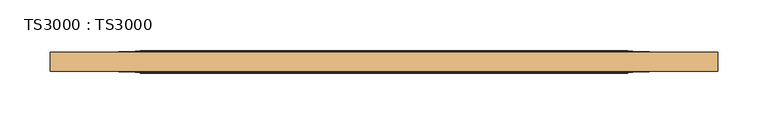
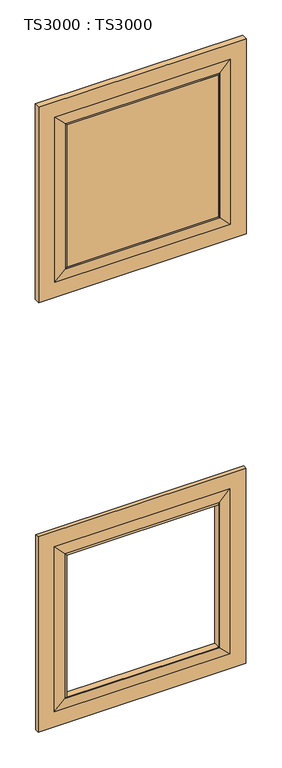
"""IFC4 building model written with IfcOpenShell, lengths in millimetres: door geometry, TS3000 : TS3000."""

import ifcopenshell
import ifcopenshell.guid

model = None  # the IFC model being written
_history = None  # IfcOwnerHistory: only IFC2X3 demands one
_inside = {}  # id of a spatial element -> (the spatial element, [elements in it])
_under = {}  # id of a project, library or spatial element -> (it, [spatial elements below it])
_declared = {}  # id of a project -> (the project, [libraries it declares])
_typed = {}  # id of a type object -> (the type object, [elements of that type])
_made_of = {}  # id of a material, layer set ... -> (it, [elements and type objects made of it])


def new_model(schema):
    """Start an empty IFC model of exactly this schema.

    Asked for "IFC4X3", IfcOpenShell would pick the latest addendum, in which some entities
    have other attributes; the version numbers below select the first issue.
    IFC2X3 requires an IfcOwnerHistory on every rooted entity: one is made here for all.
    """
    global model, _history
    if schema == "IFC4X3":
        model = ifcopenshell.file(schema_version=(4, 3, 0, 0))
    else:
        model = ifcopenshell.file(schema=schema)
    _inside.clear()
    _under.clear()
    _declared.clear()
    _typed.clear()
    _made_of.clear()
    _history = None
    if model.schema == "IFC2X3":
        org = make("IfcOrganization", Name="unknown")
        user = make(
            "IfcPersonAndOrganization",
            ThePerson=make("IfcPerson", FamilyName="unknown"),
            TheOrganization=org,
        )
        app = make(
            "IfcApplication",
            ApplicationDeveloper=org,
            Version="unknown",
            ApplicationFullName="unknown",
            ApplicationIdentifier="unknown",
        )
        _history = make(
            "IfcOwnerHistory",
            OwningUser=user,
            OwningApplication=app,
            ChangeAction="ADDED",
            CreationDate=0,
        )
    return model


def make(cls, **values):
    """One entity of the class cls with the attributes given. An attribute that is None is left unset."""
    return model.create_entity(
        cls, **{name: value for name, value in values.items() if value is not None}
    )


def rooted(cls, **values):
    """An entity with a GlobalId (a new one), such as an element, a storey or a relation."""
    return make(cls, GlobalId=ifcopenshell.guid.new(), OwnerHistory=_history, **values)


def si_unit(unit_type, name, prefix=None):
    """IfcSIUnit, for example si_unit("LENGTHUNIT", "METRE", prefix="MILLI")."""
    return make("IfcSIUnit", UnitType=unit_type, Prefix=prefix, Name=name)


def assignment(units):
    """IfcUnitAssignment: the units of a project."""
    return None if units is None else make("IfcUnitAssignment", Units=units)


def point(xyz):
    """IfcCartesianPoint."""
    return None if xyz is None else make("IfcCartesianPoint", Coordinates=xyz)


def direction(xyz):
    """IfcDirection."""
    return None if xyz is None else make("IfcDirection", DirectionRatios=xyz)


def frame(location, z_axis=None, x_axis=None):
    """IfcAxis2Placement3D, a coordinate frame: its origin and axes. An axis left out is left unset."""
    return make(
        "IfcAxis2Placement3D",
        Location=point(location),
        Axis=direction(z_axis),
        RefDirection=direction(x_axis),
    )


def origin():
    """The frame at (0, 0, 0) with its axes left unset."""
    return frame((0.0, 0.0, 0.0))


def place(relative_to, where):
    """IfcLocalPlacement: puts the frame where relative to a parent placement (None: the world)."""
    return make(
        "IfcLocalPlacement", PlacementRelTo=relative_to, RelativePlacement=where
    )


def context(
    kind, dimensions, precision=None, world=None, true_north=None, identifier=None
):
    """IfcGeometricRepresentationContext, for example the 3D "Model" context."""
    return make(
        "IfcGeometricRepresentationContext",
        ContextIdentifier=identifier,
        ContextType=kind,
        CoordinateSpaceDimension=dimensions,
        Precision=precision,
        WorldCoordinateSystem=world,
        TrueNorth=true_north,
    )


def project(units=None, contexts=None):
    """IfcProject with its units and contexts."""
    return rooted(
        "IfcProject",
        Name="project",
        RepresentationContexts=contexts,
        UnitsInContext=assignment(units),
    )


def spatial(cls, under=None, at=None, **own):
    """A site, building, storey or space (cls), placed at a placement, below another one or the project."""
    s = rooted(cls, ObjectPlacement=at, **own)
    if under is not None:
        _under.setdefault(under.id(), (under, []))[1].append(s)
    return s


def polyline(points):
    """IfcPolyline through the points."""
    return make("IfcPolyline", Points=[point(p) for p in points])


def ellipse_curve(where, semi_axis1, semi_axis2):
    """IfcEllipse in the frame where."""
    return make(
        "IfcEllipse", Position=where, SemiAxis1=semi_axis1, SemiAxis2=semi_axis2
    )


def outline(outer, holes=None, kind="AREA"):
    """IfcArbitraryClosedProfileDef: a profile drawn as a closed curve; with holes, ...WithVoids."""
    if holes is None:
        return make("IfcArbitraryClosedProfileDef", ProfileType=kind, OuterCurve=outer)
    return make(
        "IfcArbitraryProfileDefWithVoids",
        ProfileType=kind,
        OuterCurve=outer,
        InnerCurves=holes,
    )


def extrude(swept, where, along, depth):
    """IfcExtrudedAreaSolid: the profile swept, set in the frame where, extruded along a direction by depth."""
    return make(
        "IfcExtrudedAreaSolid",
        SweptArea=swept,
        Position=where,
        ExtrudedDirection=direction(along),
        Depth=depth,
    )


def shape(context_of_items, identifier, shape_type, items):
    """IfcShapeRepresentation: the items that make up one representation, for example the "Body"."""
    return make(
        "IfcShapeRepresentation",
        ContextOfItems=context_of_items,
        RepresentationIdentifier=identifier,
        RepresentationType=shape_type,
        Items=items,
    )


def source(mapping_origin, context_of_items, identifier, shape_type, items):
    """IfcRepresentationMap: a shape defined once, which mapped items show again and again."""
    return make(
        "IfcRepresentationMap",
        MappingOrigin=mapping_origin,
        MappedRepresentation=shape(context_of_items, identifier, shape_type, items),
    )


def transform(
    local_origin,
    x_axis=None,
    y_axis=None,
    z_axis=None,
    scale=None,
    scale2=None,
    scale3=None,
    uniform=True,
):
    """IfcCartesianTransformationOperator3D, or its non-uniform kind. x_axis, y_axis, z_axis: its Axis1, 2, 3."""
    if uniform:
        return make(
            "IfcCartesianTransformationOperator3D",
            Axis1=direction(x_axis),
            Axis2=direction(y_axis),
            LocalOrigin=point(local_origin),
            Scale=scale,
            Axis3=direction(z_axis),
        )
    return make(
        "IfcCartesianTransformationOperator3DnonUniform",
        Axis1=direction(x_axis),
        Axis2=direction(y_axis),
        LocalOrigin=point(local_origin),
        Scale=scale,
        Axis3=direction(z_axis),
        Scale2=scale2,
        Scale3=scale3,
    )


def mapped(mapping_source, mapping_target):
    """IfcMappedItem: shows the shape of a source again, moved by a transform."""
    return make(
        "IfcMappedItem", MappingSource=mapping_source, MappingTarget=mapping_target
    )


def made_of(thing, what):
    """Note that an element or type object is made of a material, layer set ...; save() writes the relation."""
    if what is not None:
        _made_of.setdefault(what.id(), (what, []))[1].append(thing)
    return thing


def element(
    cls,
    number,
    at=None,
    inside=None,
    cuts=None,
    type_object=None,
    material=None,
    context=None,
    identifier="Body",
    shape_type=None,
    held_by="IfcProductDefinitionShape",
    body=None,
    shapes=None,
    **own,
):
    """One element of the class cls, such as IfcWall. Its Tag is "e" and its number.

    at: its placement. inside: the storey or other place that contains it. cuts: it is an
    opening in that element (IfcRelVoidsElement). A single representation is given by context,
    identifier, shape_type and body (its items); several are given by shapes. held_by: the class
    of the entity that holds the representations. save() writes the other relations.
    """
    e = rooted(cls, Tag="e%d" % number, ObjectPlacement=at, **own)
    if body is not None:
        shapes = [shape(context, identifier, shape_type, body)]
    if shapes is not None:
        e.Representation = make(held_by, Representations=shapes)
    if inside is not None:
        _inside.setdefault(inside.id(), (inside, []))[1].append(e)
    if cuts is not None:
        rooted(
            "IfcRelVoidsElement", RelatingBuildingElement=cuts, RelatedOpeningElement=e
        )
    if type_object is not None:
        _typed.setdefault(type_object.id(), (type_object, []))[1].append(e)
    return made_of(e, material)


def aggregate(whole, parts):
    """IfcRelAggregates: a whole, such as a stair, and the parts it consists of."""
    return rooted("IfcRelAggregates", RelatingObject=whole, RelatedObjects=parts)


def save(model, path):
    """Write the relations noted so far, then the file.

    IfcRelAggregates (storeys below a building ...), IfcRelContainedInSpatialStructure (elements
    in a storey), IfcRelDefinesByType, IfcRelAssociatesMaterial and IfcRelDeclares: one each for
    every whole, place, type object, material and project.
    """
    for whole, parts in _under.values():
        aggregate(whole, parts)
    for where, things in _inside.values():
        rooted(
            "IfcRelContainedInSpatialStructure",
            RelatedElements=things,
            RelatingStructure=where,
        )
    for kind, things in _typed.values():
        rooted("IfcRelDefinesByType", RelatedObjects=things, RelatingType=kind)
    for what, things in _made_of.values():
        rooted("IfcRelAssociatesMaterial", RelatedObjects=things, RelatingMaterial=what)
    for by, libraries in _declared.values():
        rooted("IfcRelDeclares", RelatingContext=by, RelatedDefinitions=libraries)
    model.write(path)


def plane_surface(at):
    """IfcPlane: the flat surface through the origin of the frame at, square to its z axis."""
    return make("IfcPlane", Position=at)


def revolved_surface(curve, axis_point, axis_direction):
    """IfcSurfaceOfRevolution: the curve turned about the line through axis_point along axis_direction."""
    return make(
        "IfcSurfaceOfRevolution",
        SweptCurve=make("IfcArbitraryOpenProfileDef", ProfileType="CURVE", Curve=curve),
        AxisPosition=make("IfcAxis1Placement", Location=point(axis_point), Axis=direction(axis_direction)),
    )


def advanced_brep(points, edges, surfaces, faces):
    """IfcAdvancedBrep: a solid bounded by faces that lie on surfaces and meet in shared edges.

    An edge is (start, end): straight between two places in points (the first is 0);
    or (start, end, curve); or (start, end, curve, False) where it runs against its curve.
    A face is (place in surfaces, loops), or (place, loops, False) where it looks against
    its surface's normal. A loop lists edges by number (the first is 1), with a minus sign
    where the edge is run from its end to its start. The first loop is the outer one.
    """
    corners = [point(p) for p in points]
    vertices = [make("IfcVertexPoint", VertexGeometry=c) for c in corners]
    made = []
    for start, end, *more in edges:
        made.append(
            make(
                "IfcEdgeCurve",
                EdgeStart=vertices[start],
                EdgeEnd=vertices[end],
                EdgeGeometry=more[0] if more else make("IfcPolyline", Points=[corners[start], corners[end]]),
                SameSense=more[1] if len(more) > 1 else True,
            )
        )
    hull = []
    for where, loops, *sense in faces:
        bounds = []
        for j, loop in enumerate(loops):
            ring = [make("IfcOrientedEdge", EdgeElement=made[abs(k) - 1], Orientation=k > 0) for k in loop]
            bounds.append(
                make(
                    "IfcFaceOuterBound" if j == 0 else "IfcFaceBound",
                    Bound=make("IfcEdgeLoop", EdgeList=ring),
                    Orientation=True,
                )
            )
        hull.append(make("IfcAdvancedFace", Bounds=bounds, FaceSurface=surfaces[where], SameSense=sense[0] if sense else True))
    return make("IfcAdvancedBrep", Outer=make("IfcClosedShell", CfsFaces=hull))


def ts3000_ts3000_fb004bbc(model_context):
    return source(origin(), model_context, "Body", "SolidModel", [
        advanced_brep(
        [(787.4, 12.7, 2311.4), (787.4, 12.7, 1655.2333333), (787.4, 31.75, 1655.2333333), (787.4, 31.75, 2311.4), (698.5, 33.3375, 2222.5), (698.5, 33.3375, 1744.1333333), (698.5, 11.1125, 1744.1333333), (698.5, 11.1125, 2222.5), (127.0, 12.7, 1655.2333333), (127.0, 31.75, 1655.2333333), (215.9, 33.3375, 1744.1333333), (215.9, 11.1125, 1744.1333333), (127.0, 12.7, 2311.4), (127.0, 31.75, 2311.4), (215.9, 33.3375, 2222.5), (215.9, 11.1125, 2222.5), (736.6, 31.75, 1706.0333333), (736.6, 31.75, 2260.6), (177.8, 31.75, 2260.6), (177.8, 31.75, 1706.0333333), (736.6, 12.7, 2260.6), (736.6, 12.7, 1706.0333333), (177.8, 12.7, 1706.0333333), (177.8, 12.7, 2260.6), (703.2625, 32.54375, 1739.3708333), (703.2625, 32.54375, 2227.2625), (211.1375, 32.54375, 1739.3708333), (211.1375, 32.54375, 2227.2625), (703.2625, 11.90625, 2227.2625), (703.2625, 11.90625, 1739.3708333), (211.1375, 11.90625, 1739.3708333), (211.1375, 11.90625, 2227.2625)],
        [
            (0, 1),
            (1, 2),
            (2, 3),
            (3, 0),
            (4, 5),
            (5, 6),
            (6, 7),
            (7, 4),
            (1, 8),
            (8, 9),
            (9, 2),
            (5, 10),
            (10, 11),
            (11, 6),
            (8, 12),
            (12, 13),
            (13, 9),
            (10, 14),
            (14, 15),
            (15, 11),
            (13, 3),
            (16, 17),
            (17, 18),
            (18, 19),
            (19, 16),
            (12, 0),
            (20, 21),
            (21, 22),
            (22, 23),
            (23, 20),
            (14, 4),
            (7, 15),
            (16, 24),
            (24, 25),
            (25, 17),
            (19, 26),
            (26, 24),
            (18, 27),
            (27, 26),
            (25, 27),
            (28, 29),
            (29, 21),
            (20, 28),
            (6, 29, ellipse_curve(frame((703.7585938, -5.7546875, 1738.8747396), z_axis=(-0.7071067811865475, 0.0, -0.7071067811865475), x_axis=(0.7071067811865474, 0.0, -0.7071067811865476)), 24.9861891, 17.6679037)),
            (28, 7, ellipse_curve(frame((703.7585938, -5.7546875, 2227.7585938), z_axis=(-0.7071067811865475, 0.0, 0.7071067811865475), x_axis=(-0.7071067811865474, 0.0, -0.7071067811865476)), 24.9861891, 17.6679037)),
            (24, 5, ellipse_curve(frame((703.7585938, 50.2046875, 1738.8747396), z_axis=(-0.7071067811865475, 0.0, -0.7071067811865475), x_axis=(0.7071067811865474, 0.0, -0.7071067811865476)), 24.9861891, 17.6679037)),
            (4, 25, ellipse_curve(frame((703.7585938, 50.2046875, 2227.7585938), z_axis=(-0.7071067811865475, 0.0, 0.7071067811865475), x_axis=(-0.7071067811865474, 0.0, -0.7071067811865476)), 24.9861891, 17.6679037)),
            (29, 30),
            (30, 22),
            (11, 30, ellipse_curve(frame((210.6414063, -5.7546875, 1738.8747396), z_axis=(-0.7071067811865475, 0.0, 0.7071067811865475), x_axis=(-0.7071067811865476, 0.0, -0.7071067811865474)), 24.9861891, 17.6679037)),
            (26, 10, ellipse_curve(frame((210.6414063, 50.2046875, 1738.8747396), z_axis=(-0.7071067811865475, 0.0, 0.7071067811865475), x_axis=(-0.7071067811865476, 0.0, -0.7071067811865474)), 24.9861891, 17.6679037)),
            (30, 31),
            (31, 23),
            (15, 31, ellipse_curve(frame((210.6414063, -5.7546875, 2227.7585938), z_axis=(0.7071067811865475, 0.0, 0.7071067811865475), x_axis=(-0.7071067811865474, 0.0, 0.7071067811865476)), 24.9861891, 17.6679037)),
            (27, 14, ellipse_curve(frame((210.6414063, 50.2046875, 2227.7585938), z_axis=(0.7071067811865475, 0.0, 0.7071067811865475), x_axis=(-0.7071067811865474, 0.0, 0.7071067811865476)), 24.9861891, 17.6679037)),
            (31, 28),
        ],
        [
            plane_surface(frame((787.4, 31.75, 2311.4), z_axis=(1.0, 0.0, 0.0), x_axis=(0.0, 0.0, -1.0))),
            plane_surface(frame((698.5, 11.1125, 2222.5), z_axis=(-1.0, 0.0, 0.0), x_axis=(0.0, 0.0, -1.0))),
            plane_surface(frame((787.4, 31.75, 1655.2333333), z_axis=(0.0, 0.0, -1.0), x_axis=(-1.0, 0.0, 0.0))),
            plane_surface(frame((698.5, 11.1125, 1744.1333333), z_axis=(0.0, 0.0, 1.0), x_axis=(-1.0, 0.0, 0.0))),
            plane_surface(frame((127.0, 31.75, 1655.2333333), z_axis=(-1.0, 0.0, 0.0), x_axis=(0.0, 0.0, 1.0))),
            plane_surface(frame((215.9, 11.1125, 1744.1333333), z_axis=(1.0, 0.0, 0.0), x_axis=(0.0, 0.0, 1.0))),
            plane_surface(frame((177.8, 31.75, 2260.6), z_axis=(0.0, 1.0, 0.0), x_axis=(1.0, 0.0, 0.0))),
            plane_surface(frame((127.0, 31.75, 2311.4), z_axis=(0.0, 0.0, 1.0), x_axis=(1.0, 0.0, 0.0))),
            plane_surface(frame((127.0, 12.7, 2311.4), z_axis=(0.0, -1.0, 0.0), x_axis=(1.0, 0.0, 0.0))),
            plane_surface(frame((215.9, 11.1125, 2222.5), z_axis=(0.0, 0.0, -1.0), x_axis=(1.0, 0.0, 0.0))),
            plane_surface(frame((703.2625, 32.54375, 2227.2625), z_axis=(0.023802777946325054, 0.9997166737441353, 0.0), x_axis=(0.0, 0.0, -1.0))),
            plane_surface(frame((703.2625, 32.54375, 1739.3708333), z_axis=(0.0, 0.9997166737441353, -0.02380277794632829), x_axis=(-1.0, 0.0, 0.0))),
            plane_surface(frame((211.1375, 32.54375, 1739.3708333), z_axis=(-0.023802777946331524, 0.9997166737441352, 0.0), x_axis=(0.0, 0.0, 1.0))),
            plane_surface(frame((211.1375, 32.54375, 2227.2625), z_axis=(0.0, 0.9997166737441353, 0.02380277794632829), x_axis=(1.0, 0.0, 0.0))),
            plane_surface(frame((736.6, 12.7, 2260.6), z_axis=(0.023802777946332284, -0.9997166737441352, 0.0), x_axis=(0.0, 0.0, -1.0))),
            revolved_surface(polyline([(686.0906901, -5.7546875, 1721.2068358513807), (686.0906901, -5.7546875, 2245.4264975486194)]), (703.7585938, -5.7546875, 2222.5), (0.0, 0.0, -1.0)),
            revolved_surface(polyline([(686.0906901, 50.2046875, 1721.2068358513807), (686.0906901, 50.2046875, 2245.4264975486194)]), (703.7585938, 50.2046875, 2222.5), (0.0, 0.0, -1.0)),
            plane_surface(frame((736.6, 12.7, 1706.0333333), z_axis=(0.0, -0.9997166737441353, -0.02380277794632905), x_axis=(-1.0, 0.0, 0.0))),
            revolved_surface(polyline([(192.9735025513806, -5.7546875, 1756.5426433), (721.4264975486194, -5.7546875, 1756.5426433)]), (698.5, -5.7546875, 1738.8747396), (-1.0, 0.0, 0.0)),
            revolved_surface(polyline([(192.9735025513806, 50.2046875, 1756.5426433), (721.4264975486194, 50.2046875, 1756.5426433)]), (698.5, 50.2046875, 1738.8747396), (-1.0, 0.0, 0.0)),
            plane_surface(frame((177.8, 12.7, 1706.0333333), z_axis=(-0.023802777946325817, -0.9997166737441354, 0.0), x_axis=(0.0, 0.0, 1.0))),
            revolved_surface(polyline([(228.30931, -5.7546875, 2245.4264975486194), (228.30931, -5.7546875, 1721.2068358513807)]), (210.6414063, -5.7546875, 1744.1333333), (0.0, 0.0, 1.0)),
            revolved_surface(polyline([(228.30931, 50.2046875, 2245.4264975486194), (228.30931, 50.2046875, 1721.2068358513807)]), (210.6414063, 50.2046875, 1744.1333333), (0.0, 0.0, 1.0)),
            plane_surface(frame((177.8, 12.7, 2260.6), z_axis=(0.0, -0.9997166737441353, 0.02380277794632905), x_axis=(1.0, 0.0, 0.0))),
            revolved_surface(polyline([(721.4264975486194, -5.7546875, 2210.0906901000003), (192.9735025513806, -5.7546875, 2210.0906901000003)]), (215.9, -5.7546875, 2227.7585938), (1.0, 0.0, 0.0)),
            revolved_surface(polyline([(721.4264975486194, 50.2046875, 2210.0906901000003), (192.9735025513806, 50.2046875, 2210.0906901000003)]), (215.9, 50.2046875, 2227.7585938), (1.0, 0.0, 0.0)),
        ],
        [
            (0, [[1, 2, 3, 4]]),
            (1, [[5, 6, 7, 8]]),
            (2, [[9, 10, 11, -2]]),
            (3, [[12, 13, 14, -6]]),
            (4, [[15, 16, 17, -10]]),
            (5, [[18, 19, 20, -13]]),
            (6, [[-3, -11, -17, 21], [22, 23, 24, 25]]),
            (7, [[26, -4, -21, -16]]),
            (8, [[-1, -26, -15, -9], [27, 28, 29, 30]]),
            (9, [[31, -8, 32, -19]]),
            (10, [[-22, 33, 34, 35]]),
            (11, [[-25, 36, 37, -33]]),
            (12, [[-24, 38, 39, -36]]),
            (13, [[-23, -35, 40, -38]]),
            (14, [[41, 42, -27, 43]]),
            (15, [[-7, 44, -41, 45]]),
            (16, [[-34, 46, -5, 47]]),
            (17, [[48, 49, -28, -42]]),
            (18, [[-14, 50, -48, -44]]),
            (19, [[-37, 51, -12, -46]]),
            (20, [[52, 53, -29, -49]]),
            (21, [[-20, 54, -52, -50]]),
            (22, [[-39, 55, -18, -51]]),
            (23, [[56, -43, -30, -53]]),
            (24, [[-32, -45, -56, -54]]),
            (25, [[-40, -47, -31, -55]]),
        ],
    ),
        advanced_brep(
        [(787.4, 15.875, 865.7166667), (787.4, 15.875, 209.55), (787.4, 28.575, 209.55), (787.4, 28.575, 865.7166667), (698.5, 33.3375, 776.8166667), (698.5, 33.3375, 298.45), (698.5, 11.1125, 298.45), (698.5, 11.1125, 776.8166667), (127.0, 15.875, 209.55), (127.0, 28.575, 209.55), (215.9, 33.3375, 298.45), (215.9, 11.1125, 298.45), (127.0, 15.875, 865.7166667), (127.0, 28.575, 865.7166667), (215.9, 33.3375, 776.8166667), (215.9, 11.1125, 776.8166667), (736.6, 28.575, 260.35), (736.6, 28.575, 814.9166667), (177.8, 28.575, 814.9166667), (177.8, 28.575, 260.35), (736.6, 15.875, 814.9166667), (736.6, 15.875, 260.35), (177.8, 15.875, 260.35), (177.8, 15.875, 814.9166667), (703.2625, 30.95625, 293.6875), (703.2625, 30.95625, 781.5791667), (211.1375, 30.95625, 293.6875), (211.1375, 30.95625, 781.5791667), (703.2625, 13.49375, 781.5791667), (703.2625, 13.49375, 293.6875), (211.1375, 13.49375, 293.6875), (211.1375, 13.49375, 781.5791667)],
        [
            (0, 1),
            (1, 2),
            (2, 3),
            (3, 0),
            (4, 5),
            (5, 6),
            (6, 7),
            (7, 4),
            (1, 8),
            (8, 9),
            (9, 2),
            (5, 10),
            (10, 11),
            (11, 6),
            (8, 12),
            (12, 13),
            (13, 9),
            (10, 14),
            (14, 15),
            (15, 11),
            (13, 3),
            (16, 17),
            (17, 18),
            (18, 19),
            (19, 16),
            (12, 0),
            (20, 21),
            (21, 22),
            (22, 23),
            (23, 20),
            (14, 4),
            (7, 15),
            (16, 24),
            (24, 25),
            (25, 17),
            (19, 26),
            (26, 24),
            (18, 27),
            (27, 26),
            (25, 27),
            (28, 29),
            (29, 21),
            (20, 28),
            (6, 29, ellipse_curve(frame((703.7585938, 6.5484375, 293.1914062), z_axis=(-0.7071067811865475, 0.0, -0.7071067811865475), x_axis=(0.7071067811865474, 0.0, -0.7071067811865476)), 9.8471798, 6.9630076)),
            (28, 7, ellipse_curve(frame((703.7585938, 6.5484375, 782.0752604), z_axis=(-0.7071067811865475, 0.0, 0.7071067811865475), x_axis=(-0.7071067811865474, 0.0, -0.7071067811865476)), 9.8471798, 6.9630076)),
            (24, 5, ellipse_curve(frame((703.7585938, 37.9015625, 293.1914062), z_axis=(-0.7071067811865475, 0.0, -0.7071067811865475), x_axis=(0.7071067811865474, 0.0, -0.7071067811865476)), 9.8471798, 6.9630076)),
            (4, 25, ellipse_curve(frame((703.7585938, 37.9015625, 782.0752604), z_axis=(-0.7071067811865475, 0.0, 0.7071067811865475), x_axis=(-0.7071067811865474, 0.0, -0.7071067811865476)), 9.8471798, 6.9630076)),
            (29, 30),
            (30, 22),
            (11, 30, ellipse_curve(frame((210.6414063, 6.5484375, 293.1914062), z_axis=(-0.7071067811865475, 0.0, 0.7071067811865475), x_axis=(-0.7071067811865476, 0.0, -0.7071067811865474)), 9.8471798, 6.9630076)),
            (26, 10, ellipse_curve(frame((210.6414063, 37.9015625, 293.1914062), z_axis=(-0.7071067811865475, 0.0, 0.7071067811865475), x_axis=(-0.7071067811865476, 0.0, -0.7071067811865474)), 9.8471798, 6.9630076)),
            (30, 31),
            (31, 23),
            (15, 31, ellipse_curve(frame((210.6414063, 6.5484375, 782.0752604), z_axis=(0.7071067811865475, 0.0, 0.7071067811865475), x_axis=(-0.7071067811865474, 0.0, 0.7071067811865476)), 9.8471798, 6.9630076)),
            (27, 14, ellipse_curve(frame((210.6414063, 37.9015625, 782.0752604), z_axis=(0.7071067811865475, 0.0, 0.7071067811865475), x_axis=(-0.7071067811865474, 0.0, 0.7071067811865476)), 9.8471798, 6.9630076)),
            (31, 28),
        ],
        [
            plane_surface(frame((787.4, 28.575, 865.7166667), z_axis=(1.0, 0.0, 0.0), x_axis=(0.0, 0.0, -1.0))),
            plane_surface(frame((698.5, 11.1125, 776.8166667), z_axis=(-1.0, 0.0, 0.0), x_axis=(0.0, 0.0, -1.0))),
            plane_surface(frame((787.4, 28.575, 209.55), z_axis=(0.0, 0.0, -1.0), x_axis=(-1.0, 0.0, 0.0))),
            plane_surface(frame((698.5, 11.1125, 298.45), z_axis=(0.0, 0.0, 1.0), x_axis=(-1.0, 0.0, 0.0))),
            plane_surface(frame((127.0, 28.575, 209.55), z_axis=(-1.0, 0.0, 0.0), x_axis=(0.0, 0.0, 1.0))),
            plane_surface(frame((215.9, 11.1125, 298.45), z_axis=(1.0, 0.0, 0.0), x_axis=(0.0, 0.0, 1.0))),
            plane_surface(frame((177.8, 28.575, 814.9166667), z_axis=(0.0, 1.0, 0.0), x_axis=(1.0, 0.0, 0.0))),
            plane_surface(frame((127.0, 28.575, 865.7166667), z_axis=(0.0, 0.0, 1.0), x_axis=(1.0, 0.0, 0.0))),
            plane_surface(frame((127.0, 15.875, 865.7166667), z_axis=(0.0, -1.0, 0.0), x_axis=(1.0, 0.0, 0.0))),
            plane_surface(frame((215.9, 11.1125, 776.8166667), z_axis=(0.0, 0.0, -1.0), x_axis=(1.0, 0.0, 0.0))),
            plane_surface(frame((703.2625, 30.95625, 781.5791667), z_axis=(0.07124704998802812, 0.9974586998307265, 0.0), x_axis=(0.0, 0.0, -1.0))),
            plane_surface(frame((703.2625, 30.95625, 293.6875), z_axis=(0.0, 0.9974586998307263, -0.07124704998803134), x_axis=(-1.0, 0.0, 0.0))),
            plane_surface(frame((211.1375, 30.95625, 293.6875), z_axis=(-0.07124704998803456, 0.9974586998307261, 0.0), x_axis=(0.0, 0.0, 1.0))),
            plane_surface(frame((211.1375, 30.95625, 781.5791667), z_axis=(0.0, 0.9974586998307263, 0.07124704998803134), x_axis=(1.0, 0.0, 0.0))),
            plane_surface(frame((736.6, 15.875, 814.9166667), z_axis=(0.07124704998803483, -0.9974586998307261, 0.0), x_axis=(0.0, 0.0, -1.0))),
            revolved_surface(polyline([(696.7955862, 6.5484375, 286.2283985878568), (696.7955862, 6.5484375, 789.0382680121432)]), (703.7585938, 6.5484375, 776.8166667), (0.0, 0.0, -1.0)),
            revolved_surface(polyline([(696.7955862, 37.9015625, 286.2283985878568), (696.7955862, 37.9015625, 789.0382680121432)]), (703.7585938, 37.9015625, 776.8166667), (0.0, 0.0, -1.0)),
            plane_surface(frame((736.6, 15.875, 260.35), z_axis=(0.0, -0.9974586998307263, -0.07124704998803161), x_axis=(-1.0, 0.0, 0.0))),
            revolved_surface(polyline([(203.67839868785677, 6.5484375, 300.15441380000004), (710.7216014121432, 6.5484375, 300.15441380000004)]), (698.5, 6.5484375, 293.1914062), (-1.0, 0.0, 0.0)),
            revolved_surface(polyline([(203.67839868785677, 37.9015625, 300.15441380000004), (710.7216014121432, 37.9015625, 300.15441380000004)]), (698.5, 37.9015625, 293.1914062), (-1.0, 0.0, 0.0)),
            plane_surface(frame((177.8, 15.875, 260.35), z_axis=(-0.07124704998802839, -0.9974586998307265, 0.0), x_axis=(0.0, 0.0, 1.0))),
            revolved_surface(polyline([(217.6044139, 6.5484375, 789.0382680121432), (217.6044139, 6.5484375, 286.2283985878568)]), (210.6414063, 6.5484375, 298.45), (0.0, 0.0, 1.0)),
            revolved_surface(polyline([(217.6044139, 37.9015625, 789.0382680121432), (217.6044139, 37.9015625, 286.2283985878568)]), (210.6414063, 37.9015625, 298.45), (0.0, 0.0, 1.0)),
            plane_surface(frame((177.8, 15.875, 814.9166667), z_axis=(0.0, -0.9974586998307263, 0.07124704998803161), x_axis=(1.0, 0.0, 0.0))),
            revolved_surface(polyline([(710.7216014121432, 6.5484375, 775.1122528000001), (203.6783986878568, 6.5484375, 775.1122528000001)]), (215.9, 6.5484375, 782.0752604), (1.0, 0.0, 0.0)),
            revolved_surface(polyline([(710.7216014121432, 37.9015625, 775.1122528000001), (203.6783986878568, 37.9015625, 775.1122528000001)]), (215.9, 37.9015625, 782.0752604), (1.0, 0.0, 0.0)),
        ],
        [
            (0, [[1, 2, 3, 4]]),
            (1, [[5, 6, 7, 8]]),
            (2, [[9, 10, 11, -2]]),
            (3, [[12, 13, 14, -6]]),
            (4, [[15, 16, 17, -10]]),
            (5, [[18, 19, 20, -13]]),
            (6, [[-3, -11, -17, 21], [22, 23, 24, 25]]),
            (7, [[26, -4, -21, -16]]),
            (8, [[-1, -26, -15, -9], [27, 28, 29, 30]]),
            (9, [[31, -8, 32, -19]]),
            (10, [[-22, 33, 34, 35]]),
            (11, [[-25, 36, 37, -33]]),
            (12, [[-24, 38, 39, -36]]),
            (13, [[-23, -35, 40, -38]]),
            (14, [[41, 42, -27, 43]]),
            (15, [[-7, 44, -41, 45]]),
            (16, [[-34, 46, -5, 47]]),
            (17, [[48, 49, -28, -42]]),
            (18, [[-14, 50, -48, -44]]),
            (19, [[-37, 51, -12, -46]]),
            (20, [[52, 53, -29, -49]]),
            (21, [[-20, 54, -52, -50]]),
            (22, [[-39, 55, -18, -51]]),
            (23, [[56, -43, -30, -53]]),
            (24, [[-32, -45, -56, -54]]),
            (25, [[-40, -47, -31, -55]]),
        ],
    ),
        extrude(outline(polyline([(215.9, 11.1125), (215.9, 33.3375), (698.5, 33.3375), (698.5, 11.1125), (215.9, 11.1125)])), frame((0.0, 0.0, 1744.1333333), z_axis=(0.0, 0.0, 1.0), x_axis=(1.0, 0.0, 0.0)), (0.0, 0.0, 1.0), 478.3666667),
    ])


if __name__ == "__main__":
    model = new_model("IFC4")
    model_context = context("Model", 3, world=origin())
    ifc_project = project(units=[si_unit("LENGTHUNIT", "METRE", prefix="MILLI")], contexts=[model_context])
    site = spatial("IfcSite", under=ifc_project)
    building = spatial("IfcBuilding", under=site)
    placement = place(None, origin())
    ts3000_ts3000_shape = ts3000_ts3000_fb004bbc(model_context)
    element("IfcDoor", 1, ObjectType="TS3000 : TS3000", at=placement, inside=building, context=model_context, shape_type="MappedRepresentation", body=[
        mapped(ts3000_ts3000_shape, transform((0.0, 0.0, 0.0), x_axis=(1.0, 0.0, 0.0), y_axis=(0.0, 1.0, 0.0), z_axis=(0.0, 0.0, 1.0))),
    ])
    save(model, "model.ifc")
